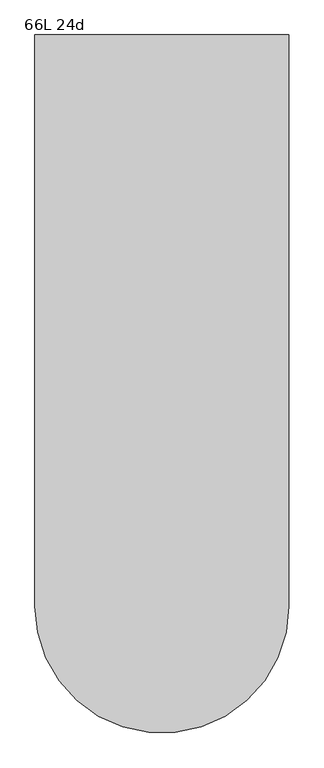
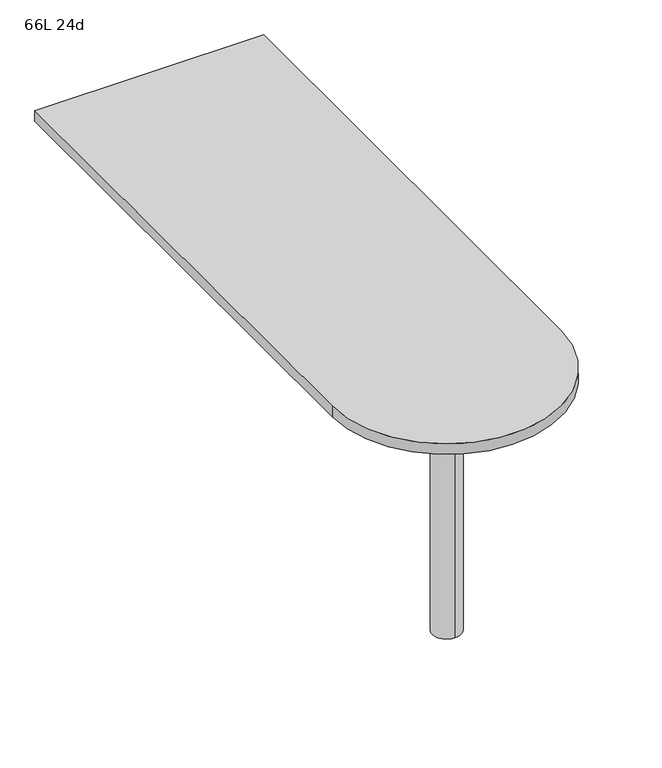
"""IFC4 building model written with IfcOpenShell, lengths in millimetres: furniture geometry, 66L 24d."""

from ifc_helpers import new_model, si_unit, point, frame, frame_2d, origin, place, context, project, spatial, polyline, circle_curve, trimmed, segment, composite_curve, outline, extrude, source, transform, mapped, element, save
from ifc_brep_helpers import plane_surface, cylinder_surface, advanced_brep


def furniture_66l_24d_60f5b6c5(model_context):
    return source(origin(), model_context, "Body", "SolidModel", [
        advanced_brep(
        [(0.0, -495.3, 706.4375), (0.0, -571.5, 706.4375), (0.0, -533.4, 706.4375), (0.0, -495.3, 0.0), (0.0, -571.5, 0.0), (0.0, -533.4, 0.0)],
        [
            (0, 1, circle_curve(frame((0.0, -533.4, 706.4375), z_axis=(0.0, 0.0, 1.0), x_axis=(0.0, -1.0, 0.0)), 38.1)),
            (1, 2),
            (2, 0),
            (1, 0, circle_curve(frame((0.0, -533.4, 706.4375), z_axis=(0.0, 0.0, 1.0), x_axis=(0.0, -1.0, 0.0)), 38.1)),
            (3, 4, circle_curve(frame((0.0, -533.4, 0.0), z_axis=(0.0, 0.0, 1.0), x_axis=(0.0, -1.0, 0.0)), 38.1)),
            (4, 1),
            (0, 3),
            (4, 3, circle_curve(frame((0.0, -533.4, 0.0), z_axis=(0.0, 0.0, 1.0), x_axis=(0.0, -1.0, 0.0)), 38.1)),
            (5, 4),
            (3, 5),
        ],
        [
            plane_surface(frame((0.0, -533.4, 706.4375), z_axis=(0.0, 0.0, 1.0), x_axis=(0.0, -1.0, 0.0))),
            cylinder_surface(frame((0.0, -533.4, 889.623257), z_axis=(0.0, 0.0, -1.0), x_axis=(0.0, -1.0, 0.0)), 38.1),
            plane_surface(frame((0.0, -533.4, 0.0), z_axis=(0.0, 0.0, -1.0), x_axis=(0.0, -1.0, 0.0))),
        ],
        [
            (0, [[1, 2, 3]]),
            (0, [[4, -3, -2]]),
            (1, [[5, 6, -1, 7]]),
            (1, [[8, -7, -4, -6]]),
            (2, [[9, -5, 10]]),
            (2, [[-10, -8, -9]]),
        ],
    ),
        extrude(outline(composite_curve([segment(polyline([(-304.8, -533.4), (-304.8, 838.2), (304.8, 838.2), (304.8, -533.4)]), True, "CONTINUOUS"), segment(trimmed(circle_curve(frame_2d((0.0, -533.4)), 304.8), [point((304.8, -533.4))], [point((-304.8, -533.4))], False, "CARTESIAN"), True, "CONTINUOUS")], self_intersect=False)), frame((0.0, 0.0, 706.4375), z_axis=(0.0, 0.0, 1.0), x_axis=(1.0, 0.0, 0.0)), (0.0, 0.0, 1.0), 30.1625),
    ])


if __name__ == "__main__":
    model = new_model("IFC4")
    model_context = context("Model", 3, world=origin())
    ifc_project = project(units=[si_unit("LENGTHUNIT", "METRE", prefix="MILLI")], contexts=[model_context])
    site = spatial("IfcSite", under=ifc_project)
    building = spatial("IfcBuilding", under=site)
    placement = place(None, origin())
    furniture_66l_24d_shape = furniture_66l_24d_60f5b6c5(model_context)
    element("IfcFurniture", 1, ObjectType="66L 24d", at=placement, inside=building, context=model_context, shape_type="MappedRepresentation", body=[
        mapped(furniture_66l_24d_shape, transform((0.0, 0.0, 0.0), x_axis=(1.0, 0.0, 0.0), y_axis=(0.0, 1.0, 0.0), z_axis=(0.0, 0.0, 1.0))),
    ])
    save(model, "model.ifc")
